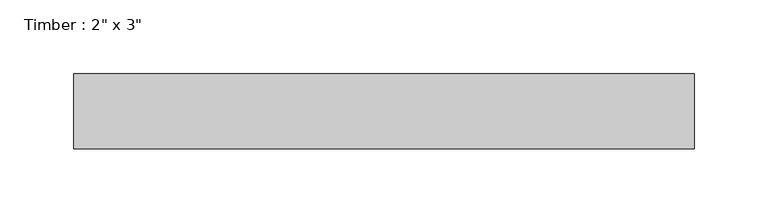
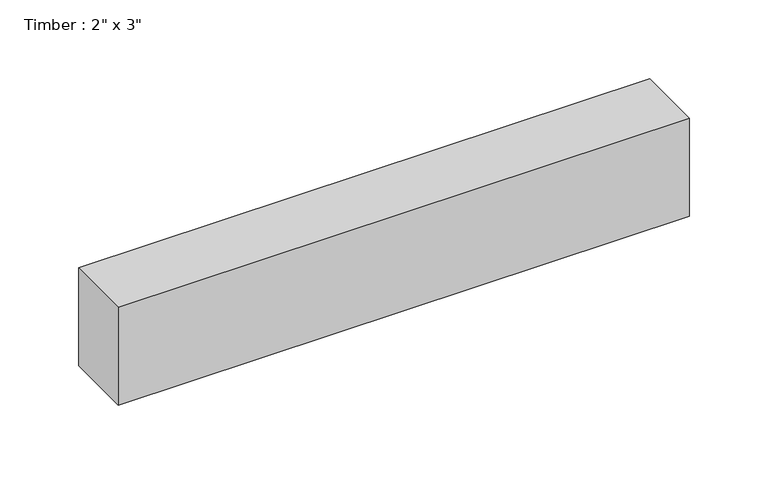
"""IFC4 building model written with IfcOpenShell, lengths in millimetres: beam geometry."""

from ifc_helpers import new_model, si_unit, frame, origin, place, context, project, spatial, polyline, outline, extrude, source, transform, mapped, element, save


def beam_b7f1c0a3(model_context):
    return source(origin(), model_context, "Body", "SweptSolid", [
        extrude(outline(polyline([(209.8357158, -25.4), (-209.8357158, -25.4), (-209.8357158, 25.4), (209.8357158, 25.4), (209.8357158, -25.4)])), frame((0.0, 0.0, -38.1), z_axis=(0.0, 0.0, 1.0), x_axis=(1.0, 0.0, 0.0)), (0.0, 0.0, 1.0), 76.2),
    ])


if __name__ == "__main__":
    model = new_model("IFC4")
    model_context = context("Model", 3, world=origin())
    ifc_project = project(units=[si_unit("LENGTHUNIT", "METRE", prefix="MILLI")], contexts=[model_context])
    site = spatial("IfcSite", under=ifc_project)
    building = spatial("IfcBuilding", under=site)
    placement = place(None, origin())
    beam_shape = beam_b7f1c0a3(model_context)
    element("IfcBeam", 1, ObjectType="Timber : 2\" x 3\"", at=placement, inside=building, context=model_context, shape_type="MappedRepresentation", body=[
        mapped(beam_shape, transform((0.0, 0.0, 0.0), x_axis=(1.0, 0.0, 0.0), y_axis=(0.0, 1.0, 0.0), z_axis=(0.0, 0.0, 1.0))),
    ])
    save(model, "model.ifc")
